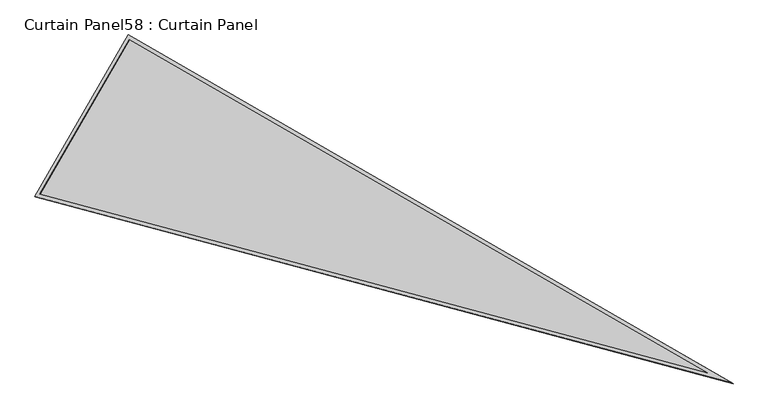
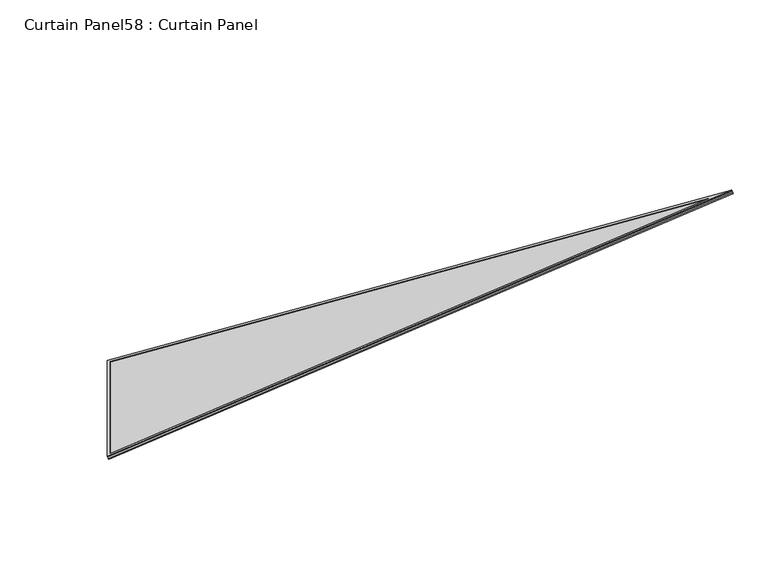
"""IFC4 building model written with IfcOpenShell, lengths in millimetres: plate geometry, Curtain Panel58 : Curtain Panel."""

from ifc_helpers import new_model, si_unit, frame, origin, place, context, project, spatial, polyline, outline, extrude, source, transform, mapped, element, save


def curtain_panel58_curtain_panel_a6be8193(model_context):
    return source(origin(), model_context, "Body", "SweptSolid", [
        extrude(outline(polyline([(895.9373554, 0.0), (895.9373554, -3524.4506618), (0.0, 0.0), (895.9373554, 0.0)]), holes=[polyline([(879.2745575, -16.6627978), (21.4285393, -16.6627978), (879.2745575, -3391.2692345), (879.2745575, -16.6627978)])]), frame((5638.6797966, 3132.2075349, 898.6937383), z_axis=(-0.2737903148616687, 0.15807291198690174, 0.9487106081329173), x_axis=(0.5000000000000105, 0.8660254037844326, 0.0)), (0.0, 0.0, 1.0), 4.8385197),
        extrude(outline(polyline([(895.9373553, 0.0), (895.9373553, -3524.4506617), (0.0, 0.0), (895.9373553, 0.0)]), holes=[polyline([(885.6245575, -10.3127979), (13.2623702, -10.3127978), (885.6245574, -3442.0231397), (885.6245575, -10.3127979)])]), frame((5643.5040465, 3129.422253, 881.9772337), z_axis=(-0.2737903148616882, 0.15807291198691248, 0.9487106081329097), x_axis=(0.5000000000000093, 0.8660254037844334, 0.0)), (0.0, 0.0, 1.0), 4.7823602),
        extrude(outline(polyline([(20.183654, -1e-07), (916.1210094, 0.0), (916.1210095, -3524.4506618), (20.183654, -1e-07)])), frame((5632.1028555, 3112.6986574, 886.5143095), z_axis=(-0.27379031486167676, 0.15807291198690618, 0.9487106081329142), x_axis=(0.5000000000000095, 0.8660254037844332, 0.0)), (0.0, 0.0, 1.0), 12.8378756),
    ])


if __name__ == "__main__":
    model = new_model("IFC4")
    model_context = context("Model", 3, world=origin())
    ifc_project = project(units=[si_unit("LENGTHUNIT", "METRE", prefix="MILLI")], contexts=[model_context])
    site = spatial("IfcSite", under=ifc_project)
    building = spatial("IfcBuilding", under=site)
    placement = place(None, origin())
    curtain_panel58_curtain_panel_shape = curtain_panel58_curtain_panel_a6be8193(model_context)
    element("IfcPlate", 1, ObjectType="Curtain Panel58 : Curtain Panel", at=placement, inside=building, context=model_context, shape_type="MappedRepresentation", body=[
        mapped(curtain_panel58_curtain_panel_shape, transform((0.0, 0.0, 0.0), x_axis=(1.0, 0.0, 0.0), y_axis=(0.0, 1.0, 0.0), z_axis=(0.0, 0.0, 1.0))),
    ])
    save(model, "model.ifc")
